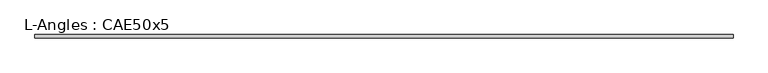
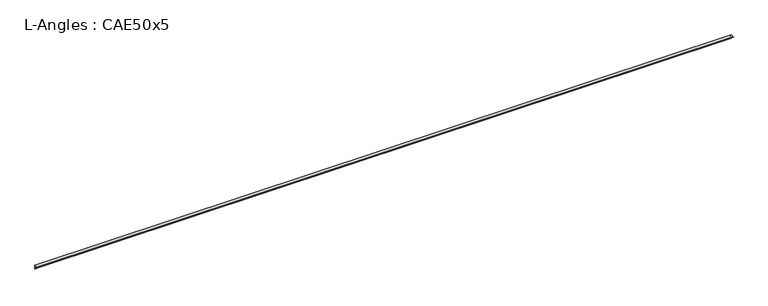
"""IFC4 building model written with IfcOpenShell, lengths in millimetres: beam geometry, L-Angles : CAE50x5."""

from ifc_helpers import new_model, si_unit, point, frame, frame_2d, origin, place, context, project, spatial, polyline, circle_curve, trimmed, segment, composite_curve, outline, extrude, source, transform, mapped, element, save


def l_angles_cae50x5_d7dd710d(model_context):
    return source(origin(), model_context, "Body", "SweptSolid", [
        extrude(outline(composite_curve([segment(polyline([(14.0, 14.0), (14.0, -36.0)]), True, "CONTINUOUS"), segment(trimmed(circle_curve(frame_2d((14.0, -31.0)), 5.0), [point((14.0, -36.0))], [point((9.0, -31.0))], False, "CARTESIAN"), True, "CONTINUOUS"), segment(polyline([(9.0, -31.0), (9.0, 4.0)]), True, "CONTINUOUS"), segment(trimmed(circle_curve(frame_2d((4.0, 4.0)), 5.0), [point((9.0, 4.0))], [point((4.0, 9.0))], True, "CARTESIAN"), True, "CONTINUOUS"), segment(polyline([(4.0, 9.0), (-31.0, 9.0)]), True, "CONTINUOUS"), segment(trimmed(circle_curve(frame_2d((-31.0, 14.0)), 5.0), [point((-31.0, 9.0))], [point((-36.0, 14.0))], False, "CARTESIAN"), True, "CONTINUOUS"), segment(polyline([(-36.0, 14.0), (14.0, 14.0)]), True, "CONTINUOUS")], self_intersect=False)), frame((-4969.5, 0.0, 0.0), z_axis=(1.0, 0.0, 0.0), x_axis=(0.0, 1.0, 0.0)), (0.0, 0.0, 1.0), 9873.0),
    ])


if __name__ == "__main__":
    model = new_model("IFC4")
    model_context = context("Model", 3, world=origin())
    ifc_project = project(units=[si_unit("LENGTHUNIT", "METRE", prefix="MILLI")], contexts=[model_context])
    site = spatial("IfcSite", under=ifc_project)
    building = spatial("IfcBuilding", under=site)
    placement = place(None, origin())
    l_angles_cae50x5_shape = l_angles_cae50x5_d7dd710d(model_context)
    element("IfcBeam", 1, ObjectType="L-Angles : CAE50x5", at=placement, inside=building, context=model_context, shape_type="MappedRepresentation", body=[
        mapped(l_angles_cae50x5_shape, transform((0.0, 0.0, 0.0), x_axis=(1.0, 0.0, 0.0), y_axis=(0.0, 1.0, 0.0), z_axis=(0.0, 0.0, 1.0))),
    ])
    save(model, "model.ifc")
